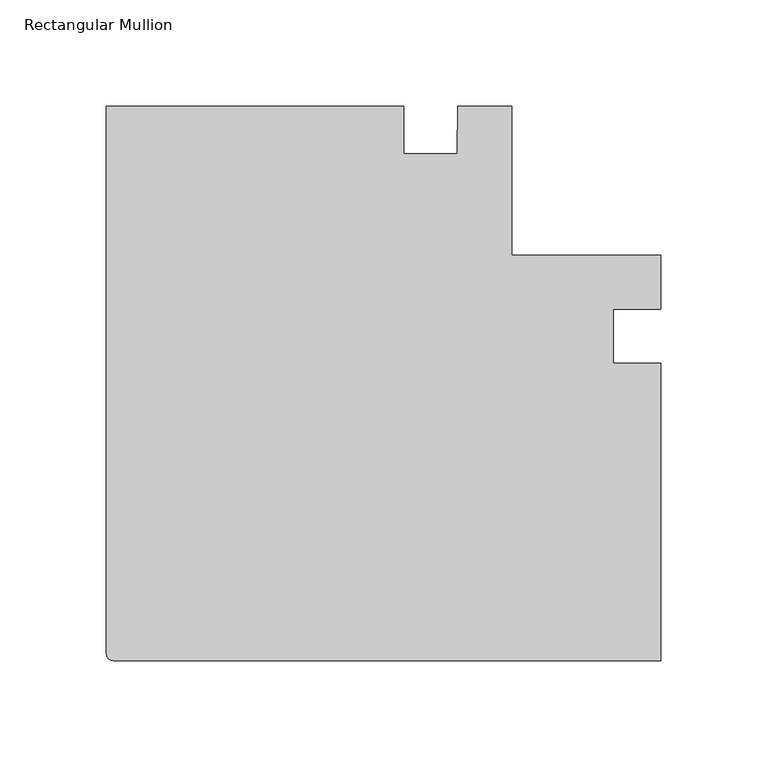
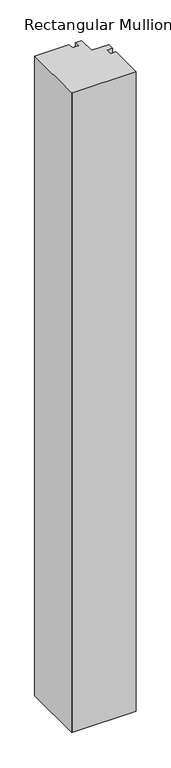
"""IFC4 building model written with IfcOpenShell, lengths in millimetres: member geometry, Rectangular Mullion."""

import ifcopenshell
import ifcopenshell.guid

model = None  # the IFC model being written
_history = None  # IfcOwnerHistory: only IFC2X3 demands one
_inside = {}  # id of a spatial element -> (the spatial element, [elements in it])
_under = {}  # id of a project, library or spatial element -> (it, [spatial elements below it])
_declared = {}  # id of a project -> (the project, [libraries it declares])
_typed = {}  # id of a type object -> (the type object, [elements of that type])
_made_of = {}  # id of a material, layer set ... -> (it, [elements and type objects made of it])


def new_model(schema):
    """Start an empty IFC model of exactly this schema.

    Asked for "IFC4X3", IfcOpenShell would pick the latest addendum, in which some entities
    have other attributes; the version numbers below select the first issue.
    IFC2X3 requires an IfcOwnerHistory on every rooted entity: one is made here for all.
    """
    global model, _history
    if schema == "IFC4X3":
        model = ifcopenshell.file(schema_version=(4, 3, 0, 0))
    else:
        model = ifcopenshell.file(schema=schema)
    _inside.clear()
    _under.clear()
    _declared.clear()
    _typed.clear()
    _made_of.clear()
    _history = None
    if model.schema == "IFC2X3":
        org = make("IfcOrganization", Name="unknown")
        user = make(
            "IfcPersonAndOrganization",
            ThePerson=make("IfcPerson", FamilyName="unknown"),
            TheOrganization=org,
        )
        app = make(
            "IfcApplication",
            ApplicationDeveloper=org,
            Version="unknown",
            ApplicationFullName="unknown",
            ApplicationIdentifier="unknown",
        )
        _history = make(
            "IfcOwnerHistory",
            OwningUser=user,
            OwningApplication=app,
            ChangeAction="ADDED",
            CreationDate=0,
        )
    return model


def make(cls, **values):
    """One entity of the class cls with the attributes given. An attribute that is None is left unset."""
    return model.create_entity(
        cls, **{name: value for name, value in values.items() if value is not None}
    )


def rooted(cls, **values):
    """An entity with a GlobalId (a new one), such as an element, a storey or a relation."""
    return make(cls, GlobalId=ifcopenshell.guid.new(), OwnerHistory=_history, **values)


def si_unit(unit_type, name, prefix=None):
    """IfcSIUnit, for example si_unit("LENGTHUNIT", "METRE", prefix="MILLI")."""
    return make("IfcSIUnit", UnitType=unit_type, Prefix=prefix, Name=name)


def assignment(units):
    """IfcUnitAssignment: the units of a project."""
    return None if units is None else make("IfcUnitAssignment", Units=units)


def point(xyz):
    """IfcCartesianPoint."""
    return None if xyz is None else make("IfcCartesianPoint", Coordinates=xyz)


def direction(xyz):
    """IfcDirection."""
    return None if xyz is None else make("IfcDirection", DirectionRatios=xyz)


def frame(location, z_axis=None, x_axis=None):
    """IfcAxis2Placement3D, a coordinate frame: its origin and axes. An axis left out is left unset."""
    return make(
        "IfcAxis2Placement3D",
        Location=point(location),
        Axis=direction(z_axis),
        RefDirection=direction(x_axis),
    )


def frame_2d(location, x_axis=None):
    """IfcAxis2Placement2D, a coordinate frame in the plane: its origin and x axis."""
    return make(
        "IfcAxis2Placement2D", Location=point(location), RefDirection=direction(x_axis)
    )


def origin():
    """The frame at (0, 0, 0) with its axes left unset."""
    return frame((0.0, 0.0, 0.0))


def place(relative_to, where):
    """IfcLocalPlacement: puts the frame where relative to a parent placement (None: the world)."""
    return make(
        "IfcLocalPlacement", PlacementRelTo=relative_to, RelativePlacement=where
    )


def context(
    kind, dimensions, precision=None, world=None, true_north=None, identifier=None
):
    """IfcGeometricRepresentationContext, for example the 3D "Model" context."""
    return make(
        "IfcGeometricRepresentationContext",
        ContextIdentifier=identifier,
        ContextType=kind,
        CoordinateSpaceDimension=dimensions,
        Precision=precision,
        WorldCoordinateSystem=world,
        TrueNorth=true_north,
    )


def project(units=None, contexts=None):
    """IfcProject with its units and contexts."""
    return rooted(
        "IfcProject",
        Name="project",
        RepresentationContexts=contexts,
        UnitsInContext=assignment(units),
    )


def spatial(cls, under=None, at=None, **own):
    """A site, building, storey or space (cls), placed at a placement, below another one or the project."""
    s = rooted(cls, ObjectPlacement=at, **own)
    if under is not None:
        _under.setdefault(under.id(), (under, []))[1].append(s)
    return s


def polyline(points):
    """IfcPolyline through the points."""
    return make("IfcPolyline", Points=[point(p) for p in points])


def circle_curve(where, radius):
    """IfcCircle in the frame where."""
    return make("IfcCircle", Position=where, Radius=radius)


def trimmed(basis, trim1, trim2, sense, master):
    """IfcTrimmedCurve: the piece of a basis curve between two trims."""
    return make(
        "IfcTrimmedCurve",
        BasisCurve=basis,
        Trim1=trim1,
        Trim2=trim2,
        SenseAgreement=sense,
        MasterRepresentation=master,
    )


def segment(curve, same_sense, transition):
    """IfcCompositeCurveSegment."""
    return make(
        "IfcCompositeCurveSegment",
        Transition=transition,
        SameSense=same_sense,
        ParentCurve=curve,
    )


def composite_curve(segments, self_intersect=None):
    """IfcCompositeCurve: segments joined end to end."""
    return make("IfcCompositeCurve", Segments=segments, SelfIntersect=self_intersect)


def outline(outer, holes=None, kind="AREA"):
    """IfcArbitraryClosedProfileDef: a profile drawn as a closed curve; with holes, ...WithVoids."""
    if holes is None:
        return make("IfcArbitraryClosedProfileDef", ProfileType=kind, OuterCurve=outer)
    return make(
        "IfcArbitraryProfileDefWithVoids",
        ProfileType=kind,
        OuterCurve=outer,
        InnerCurves=holes,
    )


def extrude(swept, where, along, depth):
    """IfcExtrudedAreaSolid: the profile swept, set in the frame where, extruded along a direction by depth."""
    return make(
        "IfcExtrudedAreaSolid",
        SweptArea=swept,
        Position=where,
        ExtrudedDirection=direction(along),
        Depth=depth,
    )


def shape(context_of_items, identifier, shape_type, items):
    """IfcShapeRepresentation: the items that make up one representation, for example the "Body"."""
    return make(
        "IfcShapeRepresentation",
        ContextOfItems=context_of_items,
        RepresentationIdentifier=identifier,
        RepresentationType=shape_type,
        Items=items,
    )


def source(mapping_origin, context_of_items, identifier, shape_type, items):
    """IfcRepresentationMap: a shape defined once, which mapped items show again and again."""
    return make(
        "IfcRepresentationMap",
        MappingOrigin=mapping_origin,
        MappedRepresentation=shape(context_of_items, identifier, shape_type, items),
    )


def transform(
    local_origin,
    x_axis=None,
    y_axis=None,
    z_axis=None,
    scale=None,
    scale2=None,
    scale3=None,
    uniform=True,
):
    """IfcCartesianTransformationOperator3D, or its non-uniform kind. x_axis, y_axis, z_axis: its Axis1, 2, 3."""
    if uniform:
        return make(
            "IfcCartesianTransformationOperator3D",
            Axis1=direction(x_axis),
            Axis2=direction(y_axis),
            LocalOrigin=point(local_origin),
            Scale=scale,
            Axis3=direction(z_axis),
        )
    return make(
        "IfcCartesianTransformationOperator3DnonUniform",
        Axis1=direction(x_axis),
        Axis2=direction(y_axis),
        LocalOrigin=point(local_origin),
        Scale=scale,
        Axis3=direction(z_axis),
        Scale2=scale2,
        Scale3=scale3,
    )


def mapped(mapping_source, mapping_target):
    """IfcMappedItem: shows the shape of a source again, moved by a transform."""
    return make(
        "IfcMappedItem", MappingSource=mapping_source, MappingTarget=mapping_target
    )


def made_of(thing, what):
    """Note that an element or type object is made of a material, layer set ...; save() writes the relation."""
    if what is not None:
        _made_of.setdefault(what.id(), (what, []))[1].append(thing)
    return thing


def element(
    cls,
    number,
    at=None,
    inside=None,
    cuts=None,
    type_object=None,
    material=None,
    context=None,
    identifier="Body",
    shape_type=None,
    held_by="IfcProductDefinitionShape",
    body=None,
    shapes=None,
    **own,
):
    """One element of the class cls, such as IfcWall. Its Tag is "e" and its number.

    at: its placement. inside: the storey or other place that contains it. cuts: it is an
    opening in that element (IfcRelVoidsElement). A single representation is given by context,
    identifier, shape_type and body (its items); several are given by shapes. held_by: the class
    of the entity that holds the representations. save() writes the other relations.
    """
    e = rooted(cls, Tag="e%d" % number, ObjectPlacement=at, **own)
    if body is not None:
        shapes = [shape(context, identifier, shape_type, body)]
    if shapes is not None:
        e.Representation = make(held_by, Representations=shapes)
    if inside is not None:
        _inside.setdefault(inside.id(), (inside, []))[1].append(e)
    if cuts is not None:
        rooted(
            "IfcRelVoidsElement", RelatingBuildingElement=cuts, RelatedOpeningElement=e
        )
    if type_object is not None:
        _typed.setdefault(type_object.id(), (type_object, []))[1].append(e)
    return made_of(e, material)


def aggregate(whole, parts):
    """IfcRelAggregates: a whole, such as a stair, and the parts it consists of."""
    return rooted("IfcRelAggregates", RelatingObject=whole, RelatedObjects=parts)


def save(model, path):
    """Write the relations noted so far, then the file.

    IfcRelAggregates (storeys below a building ...), IfcRelContainedInSpatialStructure (elements
    in a storey), IfcRelDefinesByType, IfcRelAssociatesMaterial and IfcRelDeclares: one each for
    every whole, place, type object, material and project.
    """
    for whole, parts in _under.values():
        aggregate(whole, parts)
    for where, things in _inside.values():
        rooted(
            "IfcRelContainedInSpatialStructure",
            RelatedElements=things,
            RelatingStructure=where,
        )
    for kind, things in _typed.values():
        rooted("IfcRelDefinesByType", RelatedObjects=things, RelatingType=kind)
    for what, things in _made_of.values():
        rooted("IfcRelAssociatesMaterial", RelatedObjects=things, RelatingMaterial=what)
    for by, libraries in _declared.values():
        rooted("IfcRelDeclares", RelatingContext=by, RelatedDefinitions=libraries)
    model.write(path)


def rectangular_mullion_132e8430(model_context):
    return source(origin(), model_context, "Body", "SweptSolid", [
        extrude(outline(composite_curve([segment(trimmed(circle_curve(frame_2d((-257.175, -257.175)), 3.175), [point((-257.175, -260.35))], [point((-260.35, -257.175))], False, "CARTESIAN"), True, "CONTINUOUS"), segment(polyline([(-260.35, -257.175), (-260.35, 0.0), (-120.6499944, 0.0), (-120.6499944, -22.2248868), (-95.5676227, -22.2248868)]), True, "CONTINUOUS"), segment(trimmed(circle_curve(frame_2d((-556.2578141, -4.3007518)), 461.0387479), [point((-95.5676227, -22.2248868))], [point((-95.2391262, 0.0))], True, "CARTESIAN"), True, "CONTINUOUS"), segment(polyline([(-95.2391262, 0.0), (-69.8499944, 0.0), (-69.8499944, -69.8499944), (0.0, -69.8499944), (0.0, -95.2391262)]), True, "CONTINUOUS"), segment(trimmed(circle_curve(frame_2d((-4.3007518, -556.2578141)), 461.0387479), [point((0.0, -95.2391262))], [point((-22.2248868, -95.5676227))], True, "CARTESIAN"), True, "CONTINUOUS"), segment(polyline([(-22.2248868, -95.5676227), (-22.2248868, -120.6499944), (0.0, -120.6499944), (0.0, -260.35), (-257.175, -260.35)]), True, "CONTINUOUS")], self_intersect=False)), frame((0.0, 0.0, -2743.2), z_axis=(0.0, 0.0, 1.0), x_axis=(1.0, 0.0, 0.0)), (0.0, 0.0, 1.0), 2743.2),
    ])


if __name__ == "__main__":
    model = new_model("IFC4")
    model_context = context("Model", 3, world=origin())
    ifc_project = project(units=[si_unit("LENGTHUNIT", "METRE", prefix="MILLI")], contexts=[model_context])
    site = spatial("IfcSite", under=ifc_project)
    building = spatial("IfcBuilding", under=site)
    placement = place(None, origin())
    rectangular_mullion_shape = rectangular_mullion_132e8430(model_context)
    element("IfcMember", 1, ObjectType="Rectangular Mullion", at=placement, inside=building, context=model_context, shape_type="MappedRepresentation", body=[
        mapped(rectangular_mullion_shape, transform((0.0, 0.0, 0.0), x_axis=(1.0, 0.0, 0.0), y_axis=(0.0, 1.0, 0.0), z_axis=(0.0, 0.0, 1.0))),
    ])
    save(model, "model.ifc")
